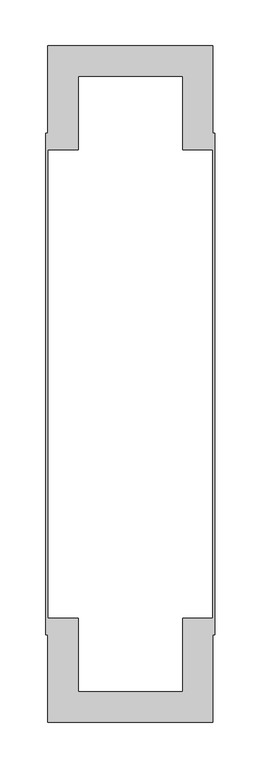
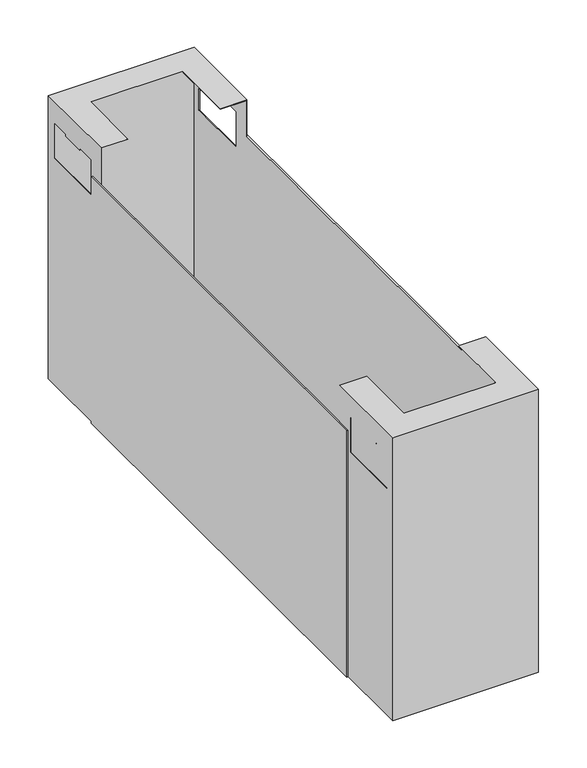
"""IFC4 building model written with IfcOpenShell, lengths in millimetres: furniture geometry."""

from ifc_helpers import new_model, si_unit, origin, place, context, project, spatial, triangles, source, transform, mapped, element, save


def furniture_88897b97(model_context):
    return source(origin(), model_context, "Body", "Tessellation", [
        triangles([(1433.9151426, -801.2618651, 442.1000133), (1612.1151666, -801.2618651, 442.1000133), (1433.9151426, -801.2618651, 73.0), (1612.1151666, -801.2618651, 73.0), (1613.0151117, -802.1618102, 442.9999947), (1580.0150911, -769.1618622, 442.9999947), (1433.0151975, -802.1618102, 442.9999947), (1466.0150728, -769.1618622, 442.9999947), (1433.0151975, -689.1618398, 442.9999947), (1466.0150728, -689.1618398, 442.9999947), (1613.0151117, -689.1618398, 442.9999947), (1580.0150911, -689.1618398, 442.9999947), (1613.0151117, -802.1618102, 73.0), (1433.0151975, -802.1618102, 73.0), (1612.1151666, -710.7618295, 368.3000121), (1612.1151666, -790.1618159, 368.3000121), (1612.1151666, -790.1618159, 414.7000142), (1612.1151666, -765.4618701, 414.7000142), (1612.1151666, -735.461848, 414.7000142), (1612.1151666, -765.4618701, 412.1999851), (1612.1151666, -735.461848, 412.1999851), (1612.1151666, -710.7618295, 414.7000142), (1612.1151666, -689.1618398, 442.1000133), (1612.1151666, -689.1618398, 73.0), (1433.0151975, -710.7618295, 414.7000142), (1433.0151975, -710.7618295, 368.3000121), (1433.0151975, -689.1618398, 73.0), (1433.0151975, -735.461848, 414.7000142), (1433.0151975, -765.4618701, 414.7000142), (1433.0151975, -790.1618159, 414.7000142), (1433.0151975, -735.461848, 412.1999851), (1433.0151975, -765.4618701, 412.1999851), (1433.0151975, -790.1618159, 368.3000121), (1580.0150911, -769.1618622, 442.1000133), (1466.0150728, -769.1618622, 442.1000133), (1433.9151426, -689.1618398, 442.1000133), (1466.0150728, -689.1618398, 442.1000133), (1580.0150911, -689.1618398, 442.1000133), (1613.0151117, -790.1618159, 368.3000121), (1613.0151117, -790.1618159, 414.7000142), (1613.0151117, -765.4618701, 414.7000142), (1613.0151117, -710.7618295, 368.3000121), (1613.0151117, -689.1618398, 73.0), (1613.0151117, -735.461848, 414.7000142), (1613.0151117, -710.7618295, 414.7000142), (1613.0151117, -765.4618701, 412.1999851), (1613.0151117, -735.461848, 412.1999851), (1433.9151426, -790.1618159, 368.3000121), (1433.9151426, -790.1618159, 414.7000142), (1433.9151426, -765.4618701, 414.7000142), (1433.9151426, -710.7618295, 368.3000121), (1433.9151426, -689.1618398, 73.0), (1433.9151426, -735.461848, 414.7000142), (1433.9151426, -710.7618295, 414.7000142), (1433.9151426, -765.4618701, 412.1999851), (1433.9151426, -735.461848, 412.1999851), (1430.9151804, -707.1118343, 73.0), (1433.0151975, -707.1118343, 73.0), (1430.9151804, -707.1118343, 395.0000175), (1433.0151975, -707.1118343, 395.0000175), (1430.9151804, -160.211843, 73.0), (1430.9151804, -160.211843, 395.0000175), (1433.0151975, -160.211843, 73.0), (1433.0151975, -160.211843, 395.0000175), (1613.0151117, -707.1118343, 73.0), (1615.1151289, -707.1118343, 73.0), (1613.0151117, -707.1118343, 395.0000175), (1615.1151289, -707.1118343, 395.0000175), (1613.0151117, -160.211843, 73.0), (1613.0151117, -160.211843, 395.0000175), (1615.1151289, -160.211843, 73.0), (1615.1151289, -160.211843, 395.0000175), (1612.1151666, -66.0618417, 442.1000133), (1433.9151426, -66.0618417, 442.1000133), (1612.1151666, -66.0618417, 73.0), (1433.9151426, -66.0618417, 73.0), (1613.0151117, -178.1618443, 442.9999947), (1613.0151117, -65.1618422, 442.9999947), (1580.0150911, -98.16184, 442.9999947), (1433.0151975, -65.1618422, 442.9999947), (1466.0150728, -98.16184, 442.9999947), (1433.0151975, -178.1618443, 442.9999947), (1466.0150728, -178.1618443, 442.9999947), (1580.0150911, -178.1618443, 442.9999947), (1433.0151975, -65.1618422, 73.0), (1613.0151117, -65.1618422, 73.0), (1612.1151666, -77.161841, 368.3000121), (1612.1151666, -156.5618421, 368.3000121), (1612.1151666, -178.1618443, 73.0), (1612.1151666, -178.1618443, 442.1000133), (1612.1151666, -77.161841, 414.7000142), (1612.1151666, -101.8618413, 414.7000142), (1612.1151666, -101.8618413, 412.1999851), (1612.1151666, -131.8618423, 412.1999851), (1612.1151666, -131.8618423, 414.7000142), (1612.1151666, -156.5618421, 414.7000142), (1433.0151975, -131.8618423, 414.7000142), (1433.0151975, -156.5618421, 414.7000142), (1433.0151975, -156.5618421, 368.3000121), (1433.0151975, -178.1618443, 73.0), (1433.0151975, -77.161841, 368.3000121), (1433.0151975, -77.161841, 414.7000142), (1433.0151975, -101.8618413, 414.7000142), (1433.0151975, -101.8618413, 412.1999851), (1433.0151975, -131.8618423, 412.1999851), (1580.0150911, -98.16184, 442.1000133), (1466.0150728, -98.16184, 442.1000133), (1433.9151426, -178.1618443, 442.1000133), (1466.0150728, -178.1618443, 442.1000133), (1580.0150911, -178.1618443, 442.1000133), (1613.0151117, -77.161841, 368.3000121), (1613.0151117, -156.5618421, 368.3000121), (1613.0151117, -178.1618443, 73.0), (1613.0151117, -156.5618421, 414.7000142), (1613.0151117, -131.8618423, 414.7000142), (1613.0151117, -101.8618413, 414.7000142), (1613.0151117, -77.161841, 414.7000142), (1613.0151117, -131.8618423, 412.1999851), (1613.0151117, -101.8618413, 412.1999851), (1433.9151426, -77.161841, 368.3000121), (1433.9151426, -156.5618421, 368.3000121), (1433.9151426, -178.1618443, 73.0), (1433.9151426, -156.5618421, 414.7000142), (1433.9151426, -131.8618423, 414.7000142), (1433.9151426, -101.8618413, 414.7000142), (1433.9151426, -77.161841, 414.7000142), (1433.9151426, -131.8618423, 412.1999851), (1433.9151426, -101.8618413, 412.1999851)], [[1, 2, 3], [3, 2, 4], [5, 6, 7], [7, 6, 8], [7, 8, 9], [9, 8, 10], [5, 11, 6], [6, 11, 12], [5, 7, 13], [13, 7, 14], [15, 4, 16], [2, 16, 4], [16, 2, 17], [18, 17, 2], [19, 18, 2], [18, 19, 20], [20, 19, 21], [15, 22, 23], [24, 15, 23], [15, 24, 4], [23, 22, 19], [23, 19, 2], [26, 25, 9], [27, 26, 9], [26, 27, 14], [9, 25, 28], [9, 28, 7], [7, 28, 29], [7, 29, 30], [31, 32, 28], [28, 32, 29], [7, 30, 33], [7, 33, 14], [14, 33, 26], [23, 2, 34], [1, 34, 2], [34, 1, 35], [36, 35, 1], [35, 36, 37], [34, 38, 23], [34, 35, 6], [6, 35, 8], [6, 12, 34], [34, 12, 38], [13, 39, 5], [5, 39, 40], [5, 40, 41], [42, 39, 13], [42, 13, 43], [11, 42, 43], [5, 44, 11], [11, 44, 45], [11, 45, 42], [46, 47, 41], [41, 47, 44], [5, 41, 44], [35, 37, 8], [8, 37, 10], [3, 48, 1], [1, 48, 49], [1, 49, 50], [51, 48, 3], [51, 3, 52], [36, 51, 52], [1, 53, 36], [36, 53, 54], [36, 54, 51], [55, 56, 50], [50, 56, 53], [1, 50, 53], [25, 26, 54], [54, 26, 51], [26, 33, 51], [51, 33, 48], [33, 30, 48], [48, 30, 49], [55, 50, 32], [32, 50, 29], [32, 31, 55], [55, 31, 56], [30, 29, 49], [49, 29, 50], [28, 25, 53], [53, 25, 54], [31, 28, 56], [56, 28, 53], [39, 42, 16], [16, 42, 15], [42, 45, 15], [15, 45, 22], [40, 39, 17], [17, 39, 16], [20, 21, 46], [46, 21, 47], [46, 41, 20], [20, 41, 18], [41, 40, 18], [18, 40, 17], [21, 19, 47], [47, 19, 44], [45, 44, 22], [22, 44, 19], [38, 12, 23], [11, 23, 12], [43, 23, 11], [43, 24, 23], [24, 43, 4], [13, 4, 43], [14, 4, 13], [4, 14, 3], [27, 3, 14], [3, 27, 52], [52, 27, 36], [9, 36, 27], [10, 36, 9], [10, 37, 36], [57, 58, 59], [59, 58, 60], [61, 57, 62], [62, 57, 59], [63, 61, 64], [64, 61, 62], [58, 63, 60], [60, 63, 64], [64, 62, 60], [60, 62, 59], [58, 57, 63], [63, 57, 61], [65, 66, 67], [67, 66, 68], [69, 65, 70], [70, 65, 67], [71, 69, 72], [72, 69, 70], [66, 71, 68], [68, 71, 72], [72, 70, 68], [68, 70, 67], [66, 65, 71], [71, 65, 69], [73, 74, 75], [75, 74, 76], [77, 78, 79], [80, 79, 78], [79, 80, 81], [82, 81, 80], [81, 82, 83], [79, 84, 77], [80, 78, 85], [85, 78, 86], [88, 87, 75], [88, 75, 89], [90, 88, 89], [75, 87, 73], [73, 87, 91], [73, 91, 92], [93, 94, 92], [92, 94, 95], [73, 92, 95], [73, 95, 90], [90, 95, 96], [90, 96, 88], [97, 98, 82], [82, 98, 99], [82, 99, 100], [100, 99, 85], [85, 99, 101], [85, 101, 80], [80, 101, 102], [80, 102, 103], [104, 105, 103], [103, 105, 97], [80, 103, 97], [80, 97, 82], [73, 106, 74], [74, 106, 107], [74, 107, 108], [108, 107, 109], [73, 90, 106], [106, 90, 110], [79, 81, 106], [106, 81, 107], [106, 110, 79], [79, 110, 84], [78, 111, 86], [86, 111, 112], [86, 112, 113], [113, 112, 77], [77, 112, 114], [77, 114, 115], [77, 115, 78], [78, 115, 116], [78, 116, 117], [118, 119, 115], [115, 119, 116], [78, 117, 111], [109, 107, 83], [83, 107, 81], [74, 120, 76], [76, 120, 121], [76, 121, 122], [122, 121, 108], [108, 121, 123], [108, 123, 124], [108, 124, 74], [74, 124, 125], [74, 125, 126], [127, 128, 124], [124, 128, 125], [74, 126, 120], [99, 98, 121], [121, 98, 123], [101, 99, 120], [120, 99, 121], [102, 101, 126], [126, 101, 120], [125, 128, 103], [103, 128, 104], [128, 127, 104], [104, 127, 105], [103, 102, 125], [125, 102, 126], [98, 97, 123], [123, 97, 124], [97, 105, 124], [124, 105, 127], [112, 111, 88], [88, 111, 87], [114, 112, 96], [96, 112, 88], [111, 117, 87], [87, 117, 91], [94, 93, 118], [118, 93, 119], [93, 92, 119], [119, 92, 116], [117, 116, 91], [91, 116, 92], [95, 94, 115], [115, 94, 118], [115, 114, 95], [95, 114, 96], [113, 77, 90], [84, 90, 77], [90, 84, 110], [90, 89, 113], [85, 86, 75], [113, 75, 86], [75, 113, 89], [75, 76, 85], [85, 76, 100], [100, 76, 122], [83, 82, 108], [100, 108, 82], [108, 100, 122], [108, 109, 83]]),
    ])


if __name__ == "__main__":
    model = new_model("IFC4")
    model_context = context("Model", 3, world=origin())
    ifc_project = project(units=[si_unit("LENGTHUNIT", "METRE", prefix="MILLI")], contexts=[model_context])
    site = spatial("IfcSite", under=ifc_project)
    building = spatial("IfcBuilding", under=site)
    placement = place(None, origin())
    furniture_shape = furniture_88897b97(model_context)
    element("IfcFurniture", 1, at=placement, inside=building, context=model_context, shape_type="MappedRepresentation", body=[
        mapped(furniture_shape, transform((0.0, 0.0, 0.0), x_axis=(1.0, 0.0, 0.0), y_axis=(0.0, 1.0, 0.0), z_axis=(0.0, 0.0, 1.0))),
    ])
    save(model, "model.ifc")
